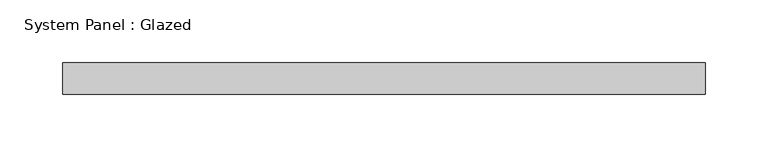
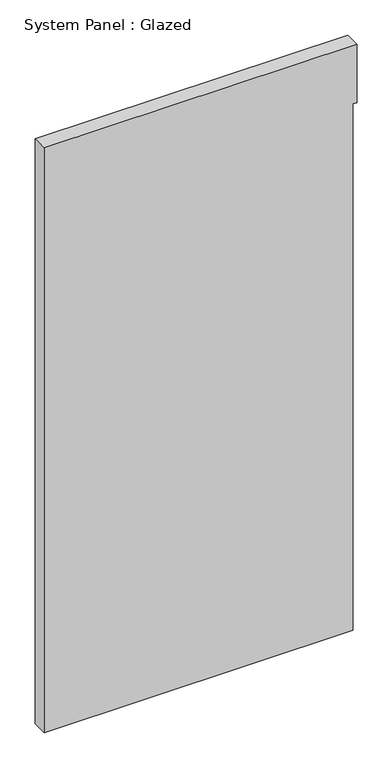
"""IFC4 building model written with IfcOpenShell, lengths in millimetres: plate geometry, System Panel : Glazed."""

from ifc_helpers import new_model, si_unit, frame, origin, place, context, project, spatial, polyline, outline, extrude, source, transform, mapped, element, save


def system_panel_glazed_d2f1af5a(model_context):
    return source(origin(), model_context, "Body", "SweptSolid", [
        extrude(outline(polyline([(0.0, -257.175), (0.0, 250.825), (914.4, 250.825), (914.4, 257.175), (1016.0, 257.175), (1016.0, -257.175), (0.0, -257.175)])), frame((0.0, -12.7, 0.0), z_axis=(0.0, 1.0, 0.0), x_axis=(0.0, 0.0, 1.0)), (0.0, 0.0, 1.0), 25.4),
    ])


if __name__ == "__main__":
    model = new_model("IFC4")
    model_context = context("Model", 3, world=origin())
    ifc_project = project(units=[si_unit("LENGTHUNIT", "METRE", prefix="MILLI")], contexts=[model_context])
    site = spatial("IfcSite", under=ifc_project)
    building = spatial("IfcBuilding", under=site)
    placement = place(None, origin())
    system_panel_glazed_shape = system_panel_glazed_d2f1af5a(model_context)
    element("IfcPlate", 1, ObjectType="System Panel : Glazed", at=placement, inside=building, context=model_context, shape_type="MappedRepresentation", body=[
        mapped(system_panel_glazed_shape, transform((0.0, 0.0, 0.0), x_axis=(1.0, 0.0, 0.0), y_axis=(0.0, 1.0, 0.0), z_axis=(0.0, 0.0, 1.0))),
    ])
    save(model, "model.ifc")
